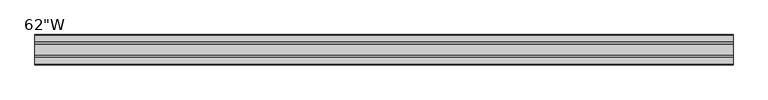
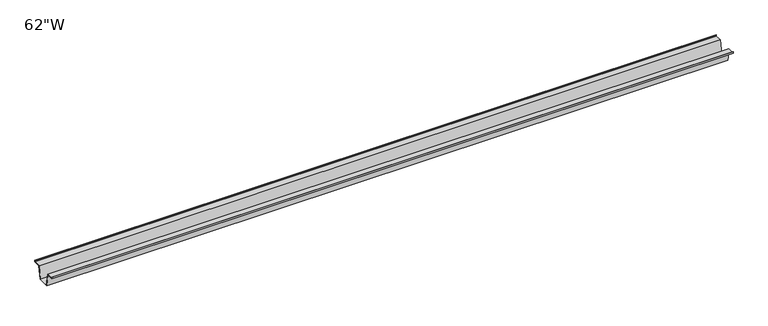
"""IFC4 building model written with IfcOpenShell, lengths in millimetres: furniture geometry."""

from ifc_helpers import new_model, si_unit, frame, origin, place, context, project, spatial, polyline, outline, extrude, source, transform, mapped, element, save


def furniture_e17124cd(model_context):
    return source(origin(), model_context, "Body", "SweptSolid", [
        extrude(outline(polyline([(-22.9397721, 688.975), (-28.502372, 658.7490007), (-53.9023728, 658.7490007), (-59.4649727, 688.975), (-75.3653716, 688.975), (-75.3653716, 692.15), (-74.5716216, 692.15), (-74.5716216, 689.76875), (-58.8172994, 689.76875), (-53.2546995, 659.5427507), (-29.1500453, 659.5427507), (-23.5874454, 689.76875), (-7.8331232, 689.76875), (-7.8331232, 692.15), (-7.0393732, 692.15), (-7.0393732, 688.975), (-22.9397721, 688.975)])), frame((-788.67, 0.0, 0.0), z_axis=(1.0, 0.0, 0.0), x_axis=(0.0, 1.0, 0.0)), (0.0, 0.0, 1.0), 1577.34),
    ])


if __name__ == "__main__":
    model = new_model("IFC4")
    model_context = context("Model", 3, world=origin())
    ifc_project = project(units=[si_unit("LENGTHUNIT", "METRE", prefix="MILLI")], contexts=[model_context])
    site = spatial("IfcSite", under=ifc_project)
    building = spatial("IfcBuilding", under=site)
    placement = place(None, origin())
    furniture_shape = furniture_e17124cd(model_context)
    element("IfcFurniture", 1, ObjectType="62\"W", at=placement, inside=building, context=model_context, shape_type="MappedRepresentation", body=[
        mapped(furniture_shape, transform((0.0, 0.0, 0.0), x_axis=(1.0, 0.0, 0.0), y_axis=(0.0, 1.0, 0.0), z_axis=(0.0, 0.0, 1.0))),
    ])
    save(model, "model.ifc")
